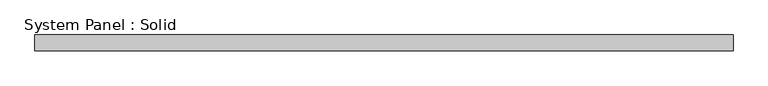
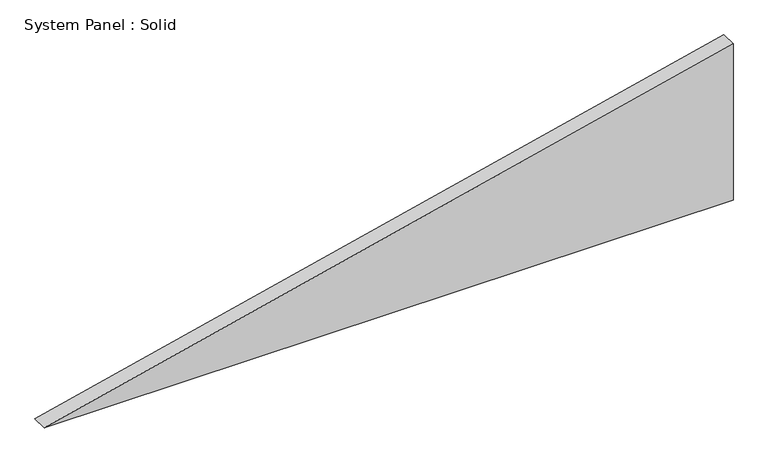
"""IFC4 building model written with IfcOpenShell, lengths in millimetres: plate geometry, System Panel : Solid."""

from ifc_helpers import new_model, si_unit, frame, origin, place, context, project, spatial, polyline, outline, extrude, source, transform, mapped, element, save


def system_panel_solid_6123566d(model_context):
    return source(origin(), model_context, "Body", "SweptSolid", [
        extrude(outline(polyline([(0.0, -1306.4499854), (0.0, 1306.4499854), (625.555409, 1306.4499854), (0.0, -1306.4499854)])), frame((0.0, -10.5, 0.0), z_axis=(0.0, 1.0, 0.0), x_axis=(0.0, 0.0, 1.0)), (0.0, 0.0, 1.0), 60.0),
    ])


if __name__ == "__main__":
    model = new_model("IFC4")
    model_context = context("Model", 3, world=origin())
    ifc_project = project(units=[si_unit("LENGTHUNIT", "METRE", prefix="MILLI")], contexts=[model_context])
    site = spatial("IfcSite", under=ifc_project)
    building = spatial("IfcBuilding", under=site)
    placement = place(None, origin())
    system_panel_solid_shape = system_panel_solid_6123566d(model_context)
    element("IfcPlate", 1, ObjectType="System Panel : Solid", at=placement, inside=building, context=model_context, shape_type="MappedRepresentation", body=[
        mapped(system_panel_solid_shape, transform((0.0, 0.0, 0.0), x_axis=(1.0, 0.0, 0.0), y_axis=(0.0, 1.0, 0.0), z_axis=(0.0, 0.0, 1.0))),
    ])
    save(model, "model.ifc")
